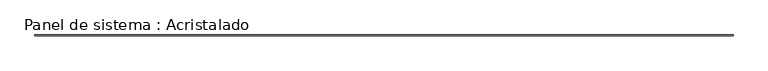
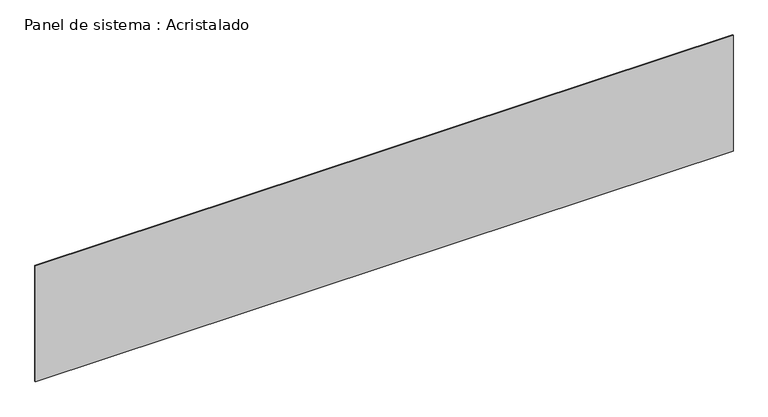
"""IFC4 building model written with IfcOpenShell, lengths in millimetres: plate geometry, Panel de sistema : Acristalado."""

from ifc_helpers import new_model, si_unit, origin, origin_with_axes, place, context, project, spatial, polyline, outline, extrude, source, transform, mapped, element, save


def panel_de_sistema_acristalado_974fabd9(model_context):
    return source(origin(), model_context, "Body", "SweptSolid", [
        extrude(outline(polyline([(8435.0298106, -10.0), (-8435.0298106, -10.0), (-8435.0298106, 10.0), (8435.0298106, 10.0), (8435.0298106, -10.0)])), origin_with_axes(), (0.0, 0.0, 1.0), 2960.0),
    ])


if __name__ == "__main__":
    model = new_model("IFC4")
    model_context = context("Model", 3, world=origin())
    ifc_project = project(units=[si_unit("LENGTHUNIT", "METRE", prefix="MILLI")], contexts=[model_context])
    site = spatial("IfcSite", under=ifc_project)
    building = spatial("IfcBuilding", under=site)
    placement = place(None, origin())
    panel_de_sistema_acristalado_shape = panel_de_sistema_acristalado_974fabd9(model_context)
    element("IfcPlate", 1, ObjectType="Panel de sistema : Acristalado", at=placement, inside=building, context=model_context, shape_type="MappedRepresentation", body=[
        mapped(panel_de_sistema_acristalado_shape, transform((0.0, 0.0, 0.0), x_axis=(1.0, 0.0, 0.0), y_axis=(0.0, 1.0, 0.0), z_axis=(0.0, 0.0, 1.0))),
    ])
    save(model, "model.ifc")
